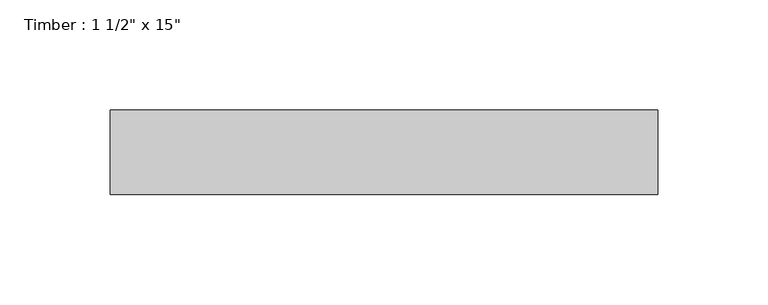
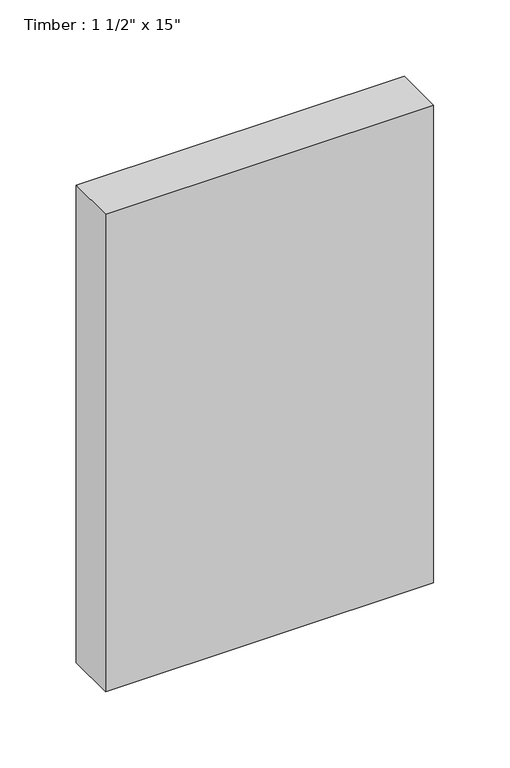
"""IFC4 building model written with IfcOpenShell, lengths in millimetres: beam geometry."""

import ifcopenshell
import ifcopenshell.guid

model = None  # the IFC model being written
_history = None  # IfcOwnerHistory: only IFC2X3 demands one
_inside = {}  # id of a spatial element -> (the spatial element, [elements in it])
_under = {}  # id of a project, library or spatial element -> (it, [spatial elements below it])
_declared = {}  # id of a project -> (the project, [libraries it declares])
_typed = {}  # id of a type object -> (the type object, [elements of that type])
_made_of = {}  # id of a material, layer set ... -> (it, [elements and type objects made of it])


def new_model(schema):
    """Start an empty IFC model of exactly this schema.

    Asked for "IFC4X3", IfcOpenShell would pick the latest addendum, in which some entities
    have other attributes; the version numbers below select the first issue.
    IFC2X3 requires an IfcOwnerHistory on every rooted entity: one is made here for all.
    """
    global model, _history
    if schema == "IFC4X3":
        model = ifcopenshell.file(schema_version=(4, 3, 0, 0))
    else:
        model = ifcopenshell.file(schema=schema)
    _inside.clear()
    _under.clear()
    _declared.clear()
    _typed.clear()
    _made_of.clear()
    _history = None
    if model.schema == "IFC2X3":
        org = make("IfcOrganization", Name="unknown")
        user = make(
            "IfcPersonAndOrganization",
            ThePerson=make("IfcPerson", FamilyName="unknown"),
            TheOrganization=org,
        )
        app = make(
            "IfcApplication",
            ApplicationDeveloper=org,
            Version="unknown",
            ApplicationFullName="unknown",
            ApplicationIdentifier="unknown",
        )
        _history = make(
            "IfcOwnerHistory",
            OwningUser=user,
            OwningApplication=app,
            ChangeAction="ADDED",
            CreationDate=0,
        )
    return model


def make(cls, **values):
    """One entity of the class cls with the attributes given. An attribute that is None is left unset."""
    return model.create_entity(
        cls, **{name: value for name, value in values.items() if value is not None}
    )


def rooted(cls, **values):
    """An entity with a GlobalId (a new one), such as an element, a storey or a relation."""
    return make(cls, GlobalId=ifcopenshell.guid.new(), OwnerHistory=_history, **values)


def si_unit(unit_type, name, prefix=None):
    """IfcSIUnit, for example si_unit("LENGTHUNIT", "METRE", prefix="MILLI")."""
    return make("IfcSIUnit", UnitType=unit_type, Prefix=prefix, Name=name)


def assignment(units):
    """IfcUnitAssignment: the units of a project."""
    return None if units is None else make("IfcUnitAssignment", Units=units)


def point(xyz):
    """IfcCartesianPoint."""
    return None if xyz is None else make("IfcCartesianPoint", Coordinates=xyz)


def direction(xyz):
    """IfcDirection."""
    return None if xyz is None else make("IfcDirection", DirectionRatios=xyz)


def frame(location, z_axis=None, x_axis=None):
    """IfcAxis2Placement3D, a coordinate frame: its origin and axes. An axis left out is left unset."""
    return make(
        "IfcAxis2Placement3D",
        Location=point(location),
        Axis=direction(z_axis),
        RefDirection=direction(x_axis),
    )


def origin():
    """The frame at (0, 0, 0) with its axes left unset."""
    return frame((0.0, 0.0, 0.0))


def place(relative_to, where):
    """IfcLocalPlacement: puts the frame where relative to a parent placement (None: the world)."""
    return make(
        "IfcLocalPlacement", PlacementRelTo=relative_to, RelativePlacement=where
    )


def context(
    kind, dimensions, precision=None, world=None, true_north=None, identifier=None
):
    """IfcGeometricRepresentationContext, for example the 3D "Model" context."""
    return make(
        "IfcGeometricRepresentationContext",
        ContextIdentifier=identifier,
        ContextType=kind,
        CoordinateSpaceDimension=dimensions,
        Precision=precision,
        WorldCoordinateSystem=world,
        TrueNorth=true_north,
    )


def project(units=None, contexts=None):
    """IfcProject with its units and contexts."""
    return rooted(
        "IfcProject",
        Name="project",
        RepresentationContexts=contexts,
        UnitsInContext=assignment(units),
    )


def spatial(cls, under=None, at=None, **own):
    """A site, building, storey or space (cls), placed at a placement, below another one or the project."""
    s = rooted(cls, ObjectPlacement=at, **own)
    if under is not None:
        _under.setdefault(under.id(), (under, []))[1].append(s)
    return s


def polyline(points):
    """IfcPolyline through the points."""
    return make("IfcPolyline", Points=[point(p) for p in points])


def outline(outer, holes=None, kind="AREA"):
    """IfcArbitraryClosedProfileDef: a profile drawn as a closed curve; with holes, ...WithVoids."""
    if holes is None:
        return make("IfcArbitraryClosedProfileDef", ProfileType=kind, OuterCurve=outer)
    return make(
        "IfcArbitraryProfileDefWithVoids",
        ProfileType=kind,
        OuterCurve=outer,
        InnerCurves=holes,
    )


def extrude(swept, where, along, depth):
    """IfcExtrudedAreaSolid: the profile swept, set in the frame where, extruded along a direction by depth."""
    return make(
        "IfcExtrudedAreaSolid",
        SweptArea=swept,
        Position=where,
        ExtrudedDirection=direction(along),
        Depth=depth,
    )


def shape(context_of_items, identifier, shape_type, items):
    """IfcShapeRepresentation: the items that make up one representation, for example the "Body"."""
    return make(
        "IfcShapeRepresentation",
        ContextOfItems=context_of_items,
        RepresentationIdentifier=identifier,
        RepresentationType=shape_type,
        Items=items,
    )


def source(mapping_origin, context_of_items, identifier, shape_type, items):
    """IfcRepresentationMap: a shape defined once, which mapped items show again and again."""
    return make(
        "IfcRepresentationMap",
        MappingOrigin=mapping_origin,
        MappedRepresentation=shape(context_of_items, identifier, shape_type, items),
    )


def transform(
    local_origin,
    x_axis=None,
    y_axis=None,
    z_axis=None,
    scale=None,
    scale2=None,
    scale3=None,
    uniform=True,
):
    """IfcCartesianTransformationOperator3D, or its non-uniform kind. x_axis, y_axis, z_axis: its Axis1, 2, 3."""
    if uniform:
        return make(
            "IfcCartesianTransformationOperator3D",
            Axis1=direction(x_axis),
            Axis2=direction(y_axis),
            LocalOrigin=point(local_origin),
            Scale=scale,
            Axis3=direction(z_axis),
        )
    return make(
        "IfcCartesianTransformationOperator3DnonUniform",
        Axis1=direction(x_axis),
        Axis2=direction(y_axis),
        LocalOrigin=point(local_origin),
        Scale=scale,
        Axis3=direction(z_axis),
        Scale2=scale2,
        Scale3=scale3,
    )


def mapped(mapping_source, mapping_target):
    """IfcMappedItem: shows the shape of a source again, moved by a transform."""
    return make(
        "IfcMappedItem", MappingSource=mapping_source, MappingTarget=mapping_target
    )


def made_of(thing, what):
    """Note that an element or type object is made of a material, layer set ...; save() writes the relation."""
    if what is not None:
        _made_of.setdefault(what.id(), (what, []))[1].append(thing)
    return thing


def element(
    cls,
    number,
    at=None,
    inside=None,
    cuts=None,
    type_object=None,
    material=None,
    context=None,
    identifier="Body",
    shape_type=None,
    held_by="IfcProductDefinitionShape",
    body=None,
    shapes=None,
    **own,
):
    """One element of the class cls, such as IfcWall. Its Tag is "e" and its number.

    at: its placement. inside: the storey or other place that contains it. cuts: it is an
    opening in that element (IfcRelVoidsElement). A single representation is given by context,
    identifier, shape_type and body (its items); several are given by shapes. held_by: the class
    of the entity that holds the representations. save() writes the other relations.
    """
    e = rooted(cls, Tag="e%d" % number, ObjectPlacement=at, **own)
    if body is not None:
        shapes = [shape(context, identifier, shape_type, body)]
    if shapes is not None:
        e.Representation = make(held_by, Representations=shapes)
    if inside is not None:
        _inside.setdefault(inside.id(), (inside, []))[1].append(e)
    if cuts is not None:
        rooted(
            "IfcRelVoidsElement", RelatingBuildingElement=cuts, RelatedOpeningElement=e
        )
    if type_object is not None:
        _typed.setdefault(type_object.id(), (type_object, []))[1].append(e)
    return made_of(e, material)


def aggregate(whole, parts):
    """IfcRelAggregates: a whole, such as a stair, and the parts it consists of."""
    return rooted("IfcRelAggregates", RelatingObject=whole, RelatedObjects=parts)


def save(model, path):
    """Write the relations noted so far, then the file.

    IfcRelAggregates (storeys below a building ...), IfcRelContainedInSpatialStructure (elements
    in a storey), IfcRelDefinesByType, IfcRelAssociatesMaterial and IfcRelDeclares: one each for
    every whole, place, type object, material and project.
    """
    for whole, parts in _under.values():
        aggregate(whole, parts)
    for where, things in _inside.values():
        rooted(
            "IfcRelContainedInSpatialStructure",
            RelatedElements=things,
            RelatingStructure=where,
        )
    for kind, things in _typed.values():
        rooted("IfcRelDefinesByType", RelatedObjects=things, RelatingType=kind)
    for what, things in _made_of.values():
        rooted("IfcRelAssociatesMaterial", RelatedObjects=things, RelatingMaterial=what)
    for by, libraries in _declared.values():
        rooted("IfcRelDeclares", RelatingContext=by, RelatedDefinitions=libraries)
    model.write(path)


def beam_4431e623(model_context):
    return source(origin(), model_context, "Body", "SweptSolid", [
        extrude(outline(polyline([(123.825, 19.05), (123.825, -19.05), (-123.825, -19.05), (-123.825, 19.05), (123.825, 19.05)])), frame((0.0, 0.0, -190.5), z_axis=(0.0, 0.0, 1.0), x_axis=(1.0, 0.0, 0.0)), (0.0, 0.0, 1.0), 381.0),
    ])


if __name__ == "__main__":
    model = new_model("IFC4")
    model_context = context("Model", 3, world=origin())
    ifc_project = project(units=[si_unit("LENGTHUNIT", "METRE", prefix="MILLI")], contexts=[model_context])
    site = spatial("IfcSite", under=ifc_project)
    building = spatial("IfcBuilding", under=site)
    placement = place(None, origin())
    beam_shape = beam_4431e623(model_context)
    element("IfcBeam", 1, ObjectType="Timber : 1 1/2\" x 15\"", at=placement, inside=building, context=model_context, shape_type="MappedRepresentation", body=[
        mapped(beam_shape, transform((0.0, 0.0, 0.0), x_axis=(1.0, 0.0, 0.0), y_axis=(0.0, 1.0, 0.0), z_axis=(0.0, 0.0, 1.0))),
    ])
    save(model, "model.ifc")
